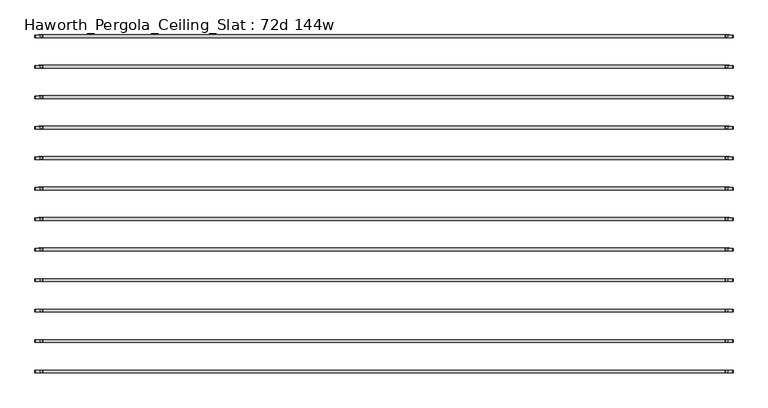
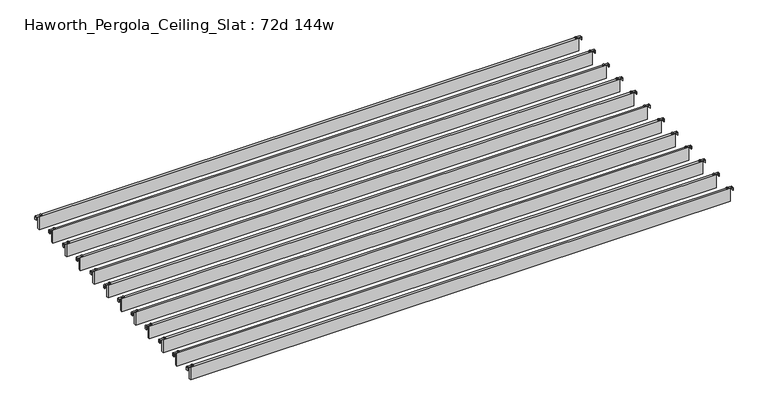
"""IFC4 building model written with IfcOpenShell, lengths in millimetres: furniture geometry, Haworth_Pergola_Ceiling_Slat : 72d 144w."""

import ifcopenshell
import ifcopenshell.guid

model = None  # the IFC model being written
_history = None  # IfcOwnerHistory: only IFC2X3 demands one
_inside = {}  # id of a spatial element -> (the spatial element, [elements in it])
_under = {}  # id of a project, library or spatial element -> (it, [spatial elements below it])
_declared = {}  # id of a project -> (the project, [libraries it declares])
_typed = {}  # id of a type object -> (the type object, [elements of that type])
_made_of = {}  # id of a material, layer set ... -> (it, [elements and type objects made of it])


def new_model(schema):
    """Start an empty IFC model of exactly this schema.

    Asked for "IFC4X3", IfcOpenShell would pick the latest addendum, in which some entities
    have other attributes; the version numbers below select the first issue.
    IFC2X3 requires an IfcOwnerHistory on every rooted entity: one is made here for all.
    """
    global model, _history
    if schema == "IFC4X3":
        model = ifcopenshell.file(schema_version=(4, 3, 0, 0))
    else:
        model = ifcopenshell.file(schema=schema)
    _inside.clear()
    _under.clear()
    _declared.clear()
    _typed.clear()
    _made_of.clear()
    _history = None
    if model.schema == "IFC2X3":
        org = make("IfcOrganization", Name="unknown")
        user = make(
            "IfcPersonAndOrganization",
            ThePerson=make("IfcPerson", FamilyName="unknown"),
            TheOrganization=org,
        )
        app = make(
            "IfcApplication",
            ApplicationDeveloper=org,
            Version="unknown",
            ApplicationFullName="unknown",
            ApplicationIdentifier="unknown",
        )
        _history = make(
            "IfcOwnerHistory",
            OwningUser=user,
            OwningApplication=app,
            ChangeAction="ADDED",
            CreationDate=0,
        )
    return model


def make(cls, **values):
    """One entity of the class cls with the attributes given. An attribute that is None is left unset."""
    return model.create_entity(
        cls, **{name: value for name, value in values.items() if value is not None}
    )


def rooted(cls, **values):
    """An entity with a GlobalId (a new one), such as an element, a storey or a relation."""
    return make(cls, GlobalId=ifcopenshell.guid.new(), OwnerHistory=_history, **values)


def si_unit(unit_type, name, prefix=None):
    """IfcSIUnit, for example si_unit("LENGTHUNIT", "METRE", prefix="MILLI")."""
    return make("IfcSIUnit", UnitType=unit_type, Prefix=prefix, Name=name)


def assignment(units):
    """IfcUnitAssignment: the units of a project."""
    return None if units is None else make("IfcUnitAssignment", Units=units)


def point(xyz):
    """IfcCartesianPoint."""
    return None if xyz is None else make("IfcCartesianPoint", Coordinates=xyz)


def direction(xyz):
    """IfcDirection."""
    return None if xyz is None else make("IfcDirection", DirectionRatios=xyz)


def frame(location, z_axis=None, x_axis=None):
    """IfcAxis2Placement3D, a coordinate frame: its origin and axes. An axis left out is left unset."""
    return make(
        "IfcAxis2Placement3D",
        Location=point(location),
        Axis=direction(z_axis),
        RefDirection=direction(x_axis),
    )


def frame_2d(location, x_axis=None):
    """IfcAxis2Placement2D, a coordinate frame in the plane: its origin and x axis."""
    return make(
        "IfcAxis2Placement2D", Location=point(location), RefDirection=direction(x_axis)
    )


def origin():
    """The frame at (0, 0, 0) with its axes left unset."""
    return frame((0.0, 0.0, 0.0))


def place(relative_to, where):
    """IfcLocalPlacement: puts the frame where relative to a parent placement (None: the world)."""
    return make(
        "IfcLocalPlacement", PlacementRelTo=relative_to, RelativePlacement=where
    )


def context(
    kind, dimensions, precision=None, world=None, true_north=None, identifier=None
):
    """IfcGeometricRepresentationContext, for example the 3D "Model" context."""
    return make(
        "IfcGeometricRepresentationContext",
        ContextIdentifier=identifier,
        ContextType=kind,
        CoordinateSpaceDimension=dimensions,
        Precision=precision,
        WorldCoordinateSystem=world,
        TrueNorth=true_north,
    )


def project(units=None, contexts=None):
    """IfcProject with its units and contexts."""
    return rooted(
        "IfcProject",
        Name="project",
        RepresentationContexts=contexts,
        UnitsInContext=assignment(units),
    )


def spatial(cls, under=None, at=None, **own):
    """A site, building, storey or space (cls), placed at a placement, below another one or the project."""
    s = rooted(cls, ObjectPlacement=at, **own)
    if under is not None:
        _under.setdefault(under.id(), (under, []))[1].append(s)
    return s


def polyline(points):
    """IfcPolyline through the points."""
    return make("IfcPolyline", Points=[point(p) for p in points])


def circle_curve(where, radius):
    """IfcCircle in the frame where."""
    return make("IfcCircle", Position=where, Radius=radius)


def trimmed(basis, trim1, trim2, sense, master):
    """IfcTrimmedCurve: the piece of a basis curve between two trims."""
    return make(
        "IfcTrimmedCurve",
        BasisCurve=basis,
        Trim1=trim1,
        Trim2=trim2,
        SenseAgreement=sense,
        MasterRepresentation=master,
    )


def segment(curve, same_sense, transition):
    """IfcCompositeCurveSegment."""
    return make(
        "IfcCompositeCurveSegment",
        Transition=transition,
        SameSense=same_sense,
        ParentCurve=curve,
    )


def composite_curve(segments, self_intersect=None):
    """IfcCompositeCurve: segments joined end to end."""
    return make("IfcCompositeCurve", Segments=segments, SelfIntersect=self_intersect)


def outline(outer, holes=None, kind="AREA"):
    """IfcArbitraryClosedProfileDef: a profile drawn as a closed curve; with holes, ...WithVoids."""
    if holes is None:
        return make("IfcArbitraryClosedProfileDef", ProfileType=kind, OuterCurve=outer)
    return make(
        "IfcArbitraryProfileDefWithVoids",
        ProfileType=kind,
        OuterCurve=outer,
        InnerCurves=holes,
    )


def extrude(swept, where, along, depth):
    """IfcExtrudedAreaSolid: the profile swept, set in the frame where, extruded along a direction by depth."""
    return make(
        "IfcExtrudedAreaSolid",
        SweptArea=swept,
        Position=where,
        ExtrudedDirection=direction(along),
        Depth=depth,
    )


def shape(context_of_items, identifier, shape_type, items):
    """IfcShapeRepresentation: the items that make up one representation, for example the "Body"."""
    return make(
        "IfcShapeRepresentation",
        ContextOfItems=context_of_items,
        RepresentationIdentifier=identifier,
        RepresentationType=shape_type,
        Items=items,
    )


def source(mapping_origin, context_of_items, identifier, shape_type, items):
    """IfcRepresentationMap: a shape defined once, which mapped items show again and again."""
    return make(
        "IfcRepresentationMap",
        MappingOrigin=mapping_origin,
        MappedRepresentation=shape(context_of_items, identifier, shape_type, items),
    )


def transform(
    local_origin,
    x_axis=None,
    y_axis=None,
    z_axis=None,
    scale=None,
    scale2=None,
    scale3=None,
    uniform=True,
):
    """IfcCartesianTransformationOperator3D, or its non-uniform kind. x_axis, y_axis, z_axis: its Axis1, 2, 3."""
    if uniform:
        return make(
            "IfcCartesianTransformationOperator3D",
            Axis1=direction(x_axis),
            Axis2=direction(y_axis),
            LocalOrigin=point(local_origin),
            Scale=scale,
            Axis3=direction(z_axis),
        )
    return make(
        "IfcCartesianTransformationOperator3DnonUniform",
        Axis1=direction(x_axis),
        Axis2=direction(y_axis),
        LocalOrigin=point(local_origin),
        Scale=scale,
        Axis3=direction(z_axis),
        Scale2=scale2,
        Scale3=scale3,
    )


def mapped(mapping_source, mapping_target):
    """IfcMappedItem: shows the shape of a source again, moved by a transform."""
    return make(
        "IfcMappedItem", MappingSource=mapping_source, MappingTarget=mapping_target
    )


def made_of(thing, what):
    """Note that an element or type object is made of a material, layer set ...; save() writes the relation."""
    if what is not None:
        _made_of.setdefault(what.id(), (what, []))[1].append(thing)
    return thing


def element(
    cls,
    number,
    at=None,
    inside=None,
    cuts=None,
    type_object=None,
    material=None,
    context=None,
    identifier="Body",
    shape_type=None,
    held_by="IfcProductDefinitionShape",
    body=None,
    shapes=None,
    **own,
):
    """One element of the class cls, such as IfcWall. Its Tag is "e" and its number.

    at: its placement. inside: the storey or other place that contains it. cuts: it is an
    opening in that element (IfcRelVoidsElement). A single representation is given by context,
    identifier, shape_type and body (its items); several are given by shapes. held_by: the class
    of the entity that holds the representations. save() writes the other relations.
    """
    e = rooted(cls, Tag="e%d" % number, ObjectPlacement=at, **own)
    if body is not None:
        shapes = [shape(context, identifier, shape_type, body)]
    if shapes is not None:
        e.Representation = make(held_by, Representations=shapes)
    if inside is not None:
        _inside.setdefault(inside.id(), (inside, []))[1].append(e)
    if cuts is not None:
        rooted(
            "IfcRelVoidsElement", RelatingBuildingElement=cuts, RelatedOpeningElement=e
        )
    if type_object is not None:
        _typed.setdefault(type_object.id(), (type_object, []))[1].append(e)
    return made_of(e, material)


def aggregate(whole, parts):
    """IfcRelAggregates: a whole, such as a stair, and the parts it consists of."""
    return rooted("IfcRelAggregates", RelatingObject=whole, RelatedObjects=parts)


def save(model, path):
    """Write the relations noted so far, then the file.

    IfcRelAggregates (storeys below a building ...), IfcRelContainedInSpatialStructure (elements
    in a storey), IfcRelDefinesByType, IfcRelAssociatesMaterial and IfcRelDeclares: one each for
    every whole, place, type object, material and project.
    """
    for whole, parts in _under.values():
        aggregate(whole, parts)
    for where, things in _inside.values():
        rooted(
            "IfcRelContainedInSpatialStructure",
            RelatedElements=things,
            RelatingStructure=where,
        )
    for kind, things in _typed.values():
        rooted("IfcRelDefinesByType", RelatedObjects=things, RelatingType=kind)
    for what, things in _made_of.values():
        rooted("IfcRelAssociatesMaterial", RelatedObjects=things, RelatingMaterial=what)
    for by, libraries in _declared.values():
        rooted("IfcRelDeclares", RelatingContext=by, RelatedDefinitions=libraries)
    model.write(path)


def haworth_pergola_ceiling_slat_72d_144w_4dc1b8d3(model_context):
    return source(origin(), model_context, "Body", "SweptSolid", [
        extrude(outline(composite_curve([segment(trimmed(circle_curve(frame_2d((1853.2, -611.3433636)), 5.9838099), [point((1847.2161901, -611.3433636))], [point((1859.1838099, -611.3433636))], False, "CARTESIAN"), True, "CONTINUOUS"), segment(trimmed(circle_curve(frame_2d((1853.2, -611.3433636)), 5.9838099), [point((1859.1838099, -611.3433636))], [point((1847.2161901, -611.3433636))], False, "CARTESIAN"), True, "CONTINUOUS")], self_intersect=False)), frame((0.0, 0.0, 2440.9329992), z_axis=(0.0, 0.0, 1.0), x_axis=(1.0, 0.0, 0.0)), (0.0, 0.0, 1.0), 3.4400008),
        extrude(outline(composite_curve([segment(trimmed(circle_curve(frame_2d((-1777.0, -611.3433636)), 5.9838099), [point((-1771.0161901, -611.3433636))], [point((-1782.9838099, -611.3433636))], False, "CARTESIAN"), True, "CONTINUOUS"), segment(trimmed(circle_curve(frame_2d((-1777.0, -611.3433636)), 5.9838099), [point((-1782.9838099, -611.3433636))], [point((-1771.0161901, -611.3433636))], False, "CARTESIAN"), True, "CONTINUOUS")], self_intersect=False)), frame((0.0, 0.0, 2440.9329992), z_axis=(0.0, 0.0, 1.0), x_axis=(1.0, 0.0, 0.0)), (0.0, 0.0, 1.0), 3.4400008),
        extrude(outline(composite_curve([segment(polyline([(2419.2231711, 1887.36), (2437.2499992, 1887.36)]), True, "CONTINUOUS"), segment(trimmed(circle_curve(frame_2d((2437.2499992, 1883.677)), 3.683), [point((2437.2499992, 1887.36))], [point((2440.9329992, 1883.677))], False, "CARTESIAN"), True, "CONTINUOUS"), segment(polyline([(2440.9329992, 1883.677), (2440.9329992, 1846.7), (2438.2729997, 1846.7), (2438.2729997, 1883.6905568)]), True, "CONTINUOUS"), segment(trimmed(circle_curve(frame_2d((2437.2635571, 1883.6905568)), 1.0094425), [point((2438.2729997, 1883.6905568))], [point((2437.2635571, 1884.6999993))], True, "CARTESIAN"), True, "CONTINUOUS"), segment(polyline([(2437.2635571, 1884.6999993), (2419.2231711, 1884.6999993), (2419.2231711, 1887.36)]), True, "CONTINUOUS")], self_intersect=False)), frame((0.0, -617.836364, 0.0), z_axis=(0.0, 1.0, 0.0), x_axis=(0.0, 0.0, 1.0)), (0.0, 0.0, 1.0), 13.0),
        extrude(outline(composite_curve([segment(polyline([(2419.2231711, -1811.16), (2419.2231711, -1808.4999993), (2437.2635571, -1808.4999993)]), True, "CONTINUOUS"), segment(trimmed(circle_curve(frame_2d((2437.2635571, -1807.4905568)), 1.0094425), [point((2437.2635571, -1808.4999993))], [point((2438.2729997, -1807.4905568))], True, "CARTESIAN"), True, "CONTINUOUS"), segment(polyline([(2438.2729997, -1807.4905568), (2438.2729997, -1770.5), (2440.9329992, -1770.5), (2440.9329992, -1807.477)]), True, "CONTINUOUS"), segment(trimmed(circle_curve(frame_2d((2437.2499992, -1807.477)), 3.683), [point((2440.9329992, -1807.477))], [point((2437.2499992, -1811.16))], False, "CARTESIAN"), True, "CONTINUOUS"), segment(polyline([(2437.2499992, -1811.16), (2419.2231711, -1811.16)]), True, "CONTINUOUS")], self_intersect=False)), frame((0.0, -617.836364, 0.0), z_axis=(0.0, 1.0, 0.0), x_axis=(0.0, 0.0, 1.0)), (0.0, 0.0, 1.0), 13.0),
        extrude(outline(polyline([(-1790.7, -618.8363636), (-1790.7, -603.8503636), (1866.9, -603.8503636), (1866.9, -618.8363636), (-1790.7, -618.8363636)])), frame((0.0, 0.0, 2346.198), z_axis=(0.0, 0.0, 1.0), x_axis=(1.0, 0.0, 0.0)), (0.0, 0.0, 1.0), 92.202),
        extrude(outline(composite_curve([segment(trimmed(circle_curve(frame_2d((1853.2, -772.9797273)), 5.9838099), [point((1847.2161901, -772.9797273))], [point((1859.1838099, -772.9797273))], False, "CARTESIAN"), True, "CONTINUOUS"), segment(trimmed(circle_curve(frame_2d((1853.2, -772.9797273)), 5.9838099), [point((1859.1838099, -772.9797273))], [point((1847.2161901, -772.9797273))], False, "CARTESIAN"), True, "CONTINUOUS")], self_intersect=False)), frame((0.0, 0.0, 2440.9329992), z_axis=(0.0, 0.0, 1.0), x_axis=(1.0, 0.0, 0.0)), (0.0, 0.0, 1.0), 3.4400008),
        extrude(outline(composite_curve([segment(trimmed(circle_curve(frame_2d((-1777.0, -772.9797273)), 5.9838099), [point((-1771.0161901, -772.9797273))], [point((-1782.9838099, -772.9797273))], False, "CARTESIAN"), True, "CONTINUOUS"), segment(trimmed(circle_curve(frame_2d((-1777.0, -772.9797273)), 5.9838099), [point((-1782.9838099, -772.9797273))], [point((-1771.0161901, -772.9797273))], False, "CARTESIAN"), True, "CONTINUOUS")], self_intersect=False)), frame((0.0, 0.0, 2440.9329992), z_axis=(0.0, 0.0, 1.0), x_axis=(1.0, 0.0, 0.0)), (0.0, 0.0, 1.0), 3.4400008),
        extrude(outline(composite_curve([segment(polyline([(2419.2231711, 1887.36), (2437.2499992, 1887.36)]), True, "CONTINUOUS"), segment(trimmed(circle_curve(frame_2d((2437.2499992, 1883.677)), 3.683), [point((2437.2499992, 1887.36))], [point((2440.9329992, 1883.677))], False, "CARTESIAN"), True, "CONTINUOUS"), segment(polyline([(2440.9329992, 1883.677), (2440.9329992, 1846.7), (2438.2729997, 1846.7), (2438.2729997, 1883.6905568)]), True, "CONTINUOUS"), segment(trimmed(circle_curve(frame_2d((2437.2635571, 1883.6905568)), 1.0094425), [point((2438.2729997, 1883.6905568))], [point((2437.2635571, 1884.6999993))], True, "CARTESIAN"), True, "CONTINUOUS"), segment(polyline([(2437.2635571, 1884.6999993), (2419.2231711, 1884.6999993), (2419.2231711, 1887.36)]), True, "CONTINUOUS")], self_intersect=False)), frame((0.0, -779.4727276, 0.0), z_axis=(0.0, 1.0, 0.0), x_axis=(0.0, 0.0, 1.0)), (0.0, 0.0, 1.0), 13.0),
        extrude(outline(composite_curve([segment(polyline([(2419.2231711, -1811.16), (2419.2231711, -1808.4999993), (2437.2635571, -1808.4999993)]), True, "CONTINUOUS"), segment(trimmed(circle_curve(frame_2d((2437.2635571, -1807.4905568)), 1.0094425), [point((2437.2635571, -1808.4999993))], [point((2438.2729997, -1807.4905568))], True, "CARTESIAN"), True, "CONTINUOUS"), segment(polyline([(2438.2729997, -1807.4905568), (2438.2729997, -1770.5), (2440.9329992, -1770.5), (2440.9329992, -1807.477)]), True, "CONTINUOUS"), segment(trimmed(circle_curve(frame_2d((2437.2499992, -1807.477)), 3.683), [point((2440.9329992, -1807.477))], [point((2437.2499992, -1811.16))], False, "CARTESIAN"), True, "CONTINUOUS"), segment(polyline([(2437.2499992, -1811.16), (2419.2231711, -1811.16)]), True, "CONTINUOUS")], self_intersect=False)), frame((0.0, -779.4727276, 0.0), z_axis=(0.0, 1.0, 0.0), x_axis=(0.0, 0.0, 1.0)), (0.0, 0.0, 1.0), 13.0),
        extrude(outline(polyline([(-1790.7, -780.4727273), (-1790.7, -765.4867273), (1866.9, -765.4867273), (1866.9, -780.4727273), (-1790.7, -780.4727273)])), frame((0.0, 0.0, 2346.198), z_axis=(0.0, 0.0, 1.0), x_axis=(1.0, 0.0, 0.0)), (0.0, 0.0, 1.0), 92.202),
        extrude(outline(composite_curve([segment(trimmed(circle_curve(frame_2d((1853.2, -934.6160909)), 5.9838099), [point((1847.2161901, -934.6160909))], [point((1859.1838099, -934.6160909))], False, "CARTESIAN"), True, "CONTINUOUS"), segment(trimmed(circle_curve(frame_2d((1853.2, -934.6160909)), 5.9838099), [point((1859.1838099, -934.6160909))], [point((1847.2161901, -934.6160909))], False, "CARTESIAN"), True, "CONTINUOUS")], self_intersect=False)), frame((0.0, 0.0, 2440.9329992), z_axis=(0.0, 0.0, 1.0), x_axis=(1.0, 0.0, 0.0)), (0.0, 0.0, 1.0), 3.4400008),
        extrude(outline(composite_curve([segment(trimmed(circle_curve(frame_2d((-1777.0, -934.6160909)), 5.9838099), [point((-1771.0161901, -934.6160909))], [point((-1782.9838099, -934.6160909))], False, "CARTESIAN"), True, "CONTINUOUS"), segment(trimmed(circle_curve(frame_2d((-1777.0, -934.6160909)), 5.9838099), [point((-1782.9838099, -934.6160909))], [point((-1771.0161901, -934.6160909))], False, "CARTESIAN"), True, "CONTINUOUS")], self_intersect=False)), frame((0.0, 0.0, 2440.9329992), z_axis=(0.0, 0.0, 1.0), x_axis=(1.0, 0.0, 0.0)), (0.0, 0.0, 1.0), 3.4400008),
        extrude(outline(composite_curve([segment(polyline([(2419.2231711, 1887.36), (2437.2499992, 1887.36)]), True, "CONTINUOUS"), segment(trimmed(circle_curve(frame_2d((2437.2499992, 1883.677)), 3.683), [point((2437.2499992, 1887.36))], [point((2440.9329992, 1883.677))], False, "CARTESIAN"), True, "CONTINUOUS"), segment(polyline([(2440.9329992, 1883.677), (2440.9329992, 1846.7), (2438.2729997, 1846.7), (2438.2729997, 1883.6905568)]), True, "CONTINUOUS"), segment(trimmed(circle_curve(frame_2d((2437.2635571, 1883.6905568)), 1.0094425), [point((2438.2729997, 1883.6905568))], [point((2437.2635571, 1884.6999993))], True, "CARTESIAN"), True, "CONTINUOUS"), segment(polyline([(2437.2635571, 1884.6999993), (2419.2231711, 1884.6999993), (2419.2231711, 1887.36)]), True, "CONTINUOUS")], self_intersect=False)), frame((0.0, -941.1090912, 0.0), z_axis=(0.0, 1.0, 0.0), x_axis=(0.0, 0.0, 1.0)), (0.0, 0.0, 1.0), 13.0),
        extrude(outline(composite_curve([segment(polyline([(2419.2231711, -1811.16), (2419.2231711, -1808.4999993), (2437.2635571, -1808.4999993)]), True, "CONTINUOUS"), segment(trimmed(circle_curve(frame_2d((2437.2635571, -1807.4905568)), 1.0094425), [point((2437.2635571, -1808.4999993))], [point((2438.2729997, -1807.4905568))], True, "CARTESIAN"), True, "CONTINUOUS"), segment(polyline([(2438.2729997, -1807.4905568), (2438.2729997, -1770.5), (2440.9329992, -1770.5), (2440.9329992, -1807.477)]), True, "CONTINUOUS"), segment(trimmed(circle_curve(frame_2d((2437.2499992, -1807.477)), 3.683), [point((2440.9329992, -1807.477))], [point((2437.2499992, -1811.16))], False, "CARTESIAN"), True, "CONTINUOUS"), segment(polyline([(2437.2499992, -1811.16), (2419.2231711, -1811.16)]), True, "CONTINUOUS")], self_intersect=False)), frame((0.0, -941.1090912, 0.0), z_axis=(0.0, 1.0, 0.0), x_axis=(0.0, 0.0, 1.0)), (0.0, 0.0, 1.0), 13.0),
        extrude(outline(polyline([(-1790.7, -942.1090909), (-1790.7, -927.1230909), (1866.9, -927.1230909), (1866.9, -942.1090909), (-1790.7, -942.1090909)])), frame((0.0, 0.0, 2346.198), z_axis=(0.0, 0.0, 1.0), x_axis=(1.0, 0.0, 0.0)), (0.0, 0.0, 1.0), 92.202),
        extrude(outline(composite_curve([segment(trimmed(circle_curve(frame_2d((1853.2, -1096.2524545)), 5.9838099), [point((1847.2161901, -1096.2524545))], [point((1859.1838099, -1096.2524545))], False, "CARTESIAN"), True, "CONTINUOUS"), segment(trimmed(circle_curve(frame_2d((1853.2, -1096.2524545)), 5.9838099), [point((1859.1838099, -1096.2524545))], [point((1847.2161901, -1096.2524545))], False, "CARTESIAN"), True, "CONTINUOUS")], self_intersect=False)), frame((0.0, 0.0, 2440.9329992), z_axis=(0.0, 0.0, 1.0), x_axis=(1.0, 0.0, 0.0)), (0.0, 0.0, 1.0), 3.4400008),
        extrude(outline(composite_curve([segment(trimmed(circle_curve(frame_2d((-1777.0, -1096.2524545)), 5.9838099), [point((-1771.0161901, -1096.2524545))], [point((-1782.9838099, -1096.2524545))], False, "CARTESIAN"), True, "CONTINUOUS"), segment(trimmed(circle_curve(frame_2d((-1777.0, -1096.2524545)), 5.9838099), [point((-1782.9838099, -1096.2524545))], [point((-1771.0161901, -1096.2524545))], False, "CARTESIAN"), True, "CONTINUOUS")], self_intersect=False)), frame((0.0, 0.0, 2440.9329992), z_axis=(0.0, 0.0, 1.0), x_axis=(1.0, 0.0, 0.0)), (0.0, 0.0, 1.0), 3.4400008),
        extrude(outline(composite_curve([segment(polyline([(2419.2231711, 1887.36), (2437.2499992, 1887.36)]), True, "CONTINUOUS"), segment(trimmed(circle_curve(frame_2d((2437.2499992, 1883.677)), 3.683), [point((2437.2499992, 1887.36))], [point((2440.9329992, 1883.677))], False, "CARTESIAN"), True, "CONTINUOUS"), segment(polyline([(2440.9329992, 1883.677), (2440.9329992, 1846.7), (2438.2729997, 1846.7), (2438.2729997, 1883.6905568)]), True, "CONTINUOUS"), segment(trimmed(circle_curve(frame_2d((2437.2635571, 1883.6905568)), 1.0094425), [point((2438.2729997, 1883.6905568))], [point((2437.2635571, 1884.6999993))], True, "CARTESIAN"), True, "CONTINUOUS"), segment(polyline([(2437.2635571, 1884.6999993), (2419.2231711, 1884.6999993), (2419.2231711, 1887.36)]), True, "CONTINUOUS")], self_intersect=False)), frame((0.0, -1102.7454549, 0.0), z_axis=(0.0, 1.0, 0.0), x_axis=(0.0, 0.0, 1.0)), (0.0, 0.0, 1.0), 13.0),
        extrude(outline(composite_curve([segment(polyline([(2419.2231711, -1811.16), (2419.2231711, -1808.4999993), (2437.2635571, -1808.4999993)]), True, "CONTINUOUS"), segment(trimmed(circle_curve(frame_2d((2437.2635571, -1807.4905568)), 1.0094425), [point((2437.2635571, -1808.4999993))], [point((2438.2729997, -1807.4905568))], True, "CARTESIAN"), True, "CONTINUOUS"), segment(polyline([(2438.2729997, -1807.4905568), (2438.2729997, -1770.5), (2440.9329992, -1770.5), (2440.9329992, -1807.477)]), True, "CONTINUOUS"), segment(trimmed(circle_curve(frame_2d((2437.2499992, -1807.477)), 3.683), [point((2440.9329992, -1807.477))], [point((2437.2499992, -1811.16))], False, "CARTESIAN"), True, "CONTINUOUS"), segment(polyline([(2437.2499992, -1811.16), (2419.2231711, -1811.16)]), True, "CONTINUOUS")], self_intersect=False)), frame((0.0, -1102.7454549, 0.0), z_axis=(0.0, 1.0, 0.0), x_axis=(0.0, 0.0, 1.0)), (0.0, 0.0, 1.0), 13.0),
        extrude(outline(polyline([(-1790.7, -1103.7454545), (-1790.7, -1088.7594545), (1866.9, -1088.7594545), (1866.9, -1103.7454545), (-1790.7, -1103.7454545)])), frame((0.0, 0.0, 2346.198), z_axis=(0.0, 0.0, 1.0), x_axis=(1.0, 0.0, 0.0)), (0.0, 0.0, 1.0), 92.202),
        extrude(outline(composite_curve([segment(trimmed(circle_curve(frame_2d((1853.2, -1257.8888182)), 5.9838099), [point((1847.2161901, -1257.8888182))], [point((1859.1838099, -1257.8888182))], False, "CARTESIAN"), True, "CONTINUOUS"), segment(trimmed(circle_curve(frame_2d((1853.2, -1257.8888182)), 5.9838099), [point((1859.1838099, -1257.8888182))], [point((1847.2161901, -1257.8888182))], False, "CARTESIAN"), True, "CONTINUOUS")], self_intersect=False)), frame((0.0, 0.0, 2440.9329992), z_axis=(0.0, 0.0, 1.0), x_axis=(1.0, 0.0, 0.0)), (0.0, 0.0, 1.0), 3.4400008),
        extrude(outline(composite_curve([segment(trimmed(circle_curve(frame_2d((-1777.0, -1257.8888182)), 5.9838099), [point((-1771.0161901, -1257.8888182))], [point((-1782.9838099, -1257.8888182))], False, "CARTESIAN"), True, "CONTINUOUS"), segment(trimmed(circle_curve(frame_2d((-1777.0, -1257.8888182)), 5.9838099), [point((-1782.9838099, -1257.8888182))], [point((-1771.0161901, -1257.8888182))], False, "CARTESIAN"), True, "CONTINUOUS")], self_intersect=False)), frame((0.0, 0.0, 2440.9329992), z_axis=(0.0, 0.0, 1.0), x_axis=(1.0, 0.0, 0.0)), (0.0, 0.0, 1.0), 3.4400008),
        extrude(outline(composite_curve([segment(polyline([(2419.2231711, 1887.36), (2437.2499992, 1887.36)]), True, "CONTINUOUS"), segment(trimmed(circle_curve(frame_2d((2437.2499992, 1883.677)), 3.683), [point((2437.2499992, 1887.36))], [point((2440.9329992, 1883.677))], False, "CARTESIAN"), True, "CONTINUOUS"), segment(polyline([(2440.9329992, 1883.677), (2440.9329992, 1846.7), (2438.2729997, 1846.7), (2438.2729997, 1883.6905568)]), True, "CONTINUOUS"), segment(trimmed(circle_curve(frame_2d((2437.2635571, 1883.6905568)), 1.0094425), [point((2438.2729997, 1883.6905568))], [point((2437.2635571, 1884.6999993))], True, "CARTESIAN"), True, "CONTINUOUS"), segment(polyline([(2437.2635571, 1884.6999993), (2419.2231711, 1884.6999993), (2419.2231711, 1887.36)]), True, "CONTINUOUS")], self_intersect=False)), frame((0.0, -1264.3818185, 0.0), z_axis=(0.0, 1.0, 0.0), x_axis=(0.0, 0.0, 1.0)), (0.0, 0.0, 1.0), 13.0),
        extrude(outline(composite_curve([segment(polyline([(2419.2231711, -1811.16), (2419.2231711, -1808.4999993), (2437.2635571, -1808.4999993)]), True, "CONTINUOUS"), segment(trimmed(circle_curve(frame_2d((2437.2635571, -1807.4905568)), 1.0094425), [point((2437.2635571, -1808.4999993))], [point((2438.2729997, -1807.4905568))], True, "CARTESIAN"), True, "CONTINUOUS"), segment(polyline([(2438.2729997, -1807.4905568), (2438.2729997, -1770.5), (2440.9329992, -1770.5), (2440.9329992, -1807.477)]), True, "CONTINUOUS"), segment(trimmed(circle_curve(frame_2d((2437.2499992, -1807.477)), 3.683), [point((2440.9329992, -1807.477))], [point((2437.2499992, -1811.16))], False, "CARTESIAN"), True, "CONTINUOUS"), segment(polyline([(2437.2499992, -1811.16), (2419.2231711, -1811.16)]), True, "CONTINUOUS")], self_intersect=False)), frame((0.0, -1264.3818185, 0.0), z_axis=(0.0, 1.0, 0.0), x_axis=(0.0, 0.0, 1.0)), (0.0, 0.0, 1.0), 13.0),
        extrude(outline(polyline([(-1790.7, -1265.3818182), (-1790.7, -1250.3958182), (1866.9, -1250.3958182), (1866.9, -1265.3818182), (-1790.7, -1265.3818182)])), frame((0.0, 0.0, 2346.198), z_axis=(0.0, 0.0, 1.0), x_axis=(1.0, 0.0, 0.0)), (0.0, 0.0, 1.0), 92.202),
        extrude(outline(composite_curve([segment(trimmed(circle_curve(frame_2d((1853.2, -1419.5251818)), 5.9838099), [point((1847.2161901, -1419.5251818))], [point((1859.1838099, -1419.5251818))], False, "CARTESIAN"), True, "CONTINUOUS"), segment(trimmed(circle_curve(frame_2d((1853.2, -1419.5251818)), 5.9838099), [point((1859.1838099, -1419.5251818))], [point((1847.2161901, -1419.5251818))], False, "CARTESIAN"), True, "CONTINUOUS")], self_intersect=False)), frame((0.0, 0.0, 2440.9329992), z_axis=(0.0, 0.0, 1.0), x_axis=(1.0, 0.0, 0.0)), (0.0, 0.0, 1.0), 3.4400008),
        extrude(outline(composite_curve([segment(trimmed(circle_curve(frame_2d((-1777.0, -1419.5251818)), 5.9838099), [point((-1771.0161901, -1419.5251818))], [point((-1782.9838099, -1419.5251818))], False, "CARTESIAN"), True, "CONTINUOUS"), segment(trimmed(circle_curve(frame_2d((-1777.0, -1419.5251818)), 5.9838099), [point((-1782.9838099, -1419.5251818))], [point((-1771.0161901, -1419.5251818))], False, "CARTESIAN"), True, "CONTINUOUS")], self_intersect=False)), frame((0.0, 0.0, 2440.9329992), z_axis=(0.0, 0.0, 1.0), x_axis=(1.0, 0.0, 0.0)), (0.0, 0.0, 1.0), 3.4400008),
        extrude(outline(composite_curve([segment(polyline([(2419.2231711, 1887.36), (2437.2499992, 1887.36)]), True, "CONTINUOUS"), segment(trimmed(circle_curve(frame_2d((2437.2499992, 1883.677)), 3.683), [point((2437.2499992, 1887.36))], [point((2440.9329992, 1883.677))], False, "CARTESIAN"), True, "CONTINUOUS"), segment(polyline([(2440.9329992, 1883.677), (2440.9329992, 1846.7), (2438.2729997, 1846.7), (2438.2729997, 1883.6905568)]), True, "CONTINUOUS"), segment(trimmed(circle_curve(frame_2d((2437.2635571, 1883.6905568)), 1.0094425), [point((2438.2729997, 1883.6905568))], [point((2437.2635571, 1884.6999993))], True, "CARTESIAN"), True, "CONTINUOUS"), segment(polyline([(2437.2635571, 1884.6999993), (2419.2231711, 1884.6999993), (2419.2231711, 1887.36)]), True, "CONTINUOUS")], self_intersect=False)), frame((0.0, -1426.0181822, 0.0), z_axis=(0.0, 1.0, 0.0), x_axis=(0.0, 0.0, 1.0)), (0.0, 0.0, 1.0), 13.0),
        extrude(outline(composite_curve([segment(polyline([(2419.2231711, -1811.16), (2419.2231711, -1808.4999993), (2437.2635571, -1808.4999993)]), True, "CONTINUOUS"), segment(trimmed(circle_curve(frame_2d((2437.2635571, -1807.4905568)), 1.0094425), [point((2437.2635571, -1808.4999993))], [point((2438.2729997, -1807.4905568))], True, "CARTESIAN"), True, "CONTINUOUS"), segment(polyline([(2438.2729997, -1807.4905568), (2438.2729997, -1770.5), (2440.9329992, -1770.5), (2440.9329992, -1807.477)]), True, "CONTINUOUS"), segment(trimmed(circle_curve(frame_2d((2437.2499992, -1807.477)), 3.683), [point((2440.9329992, -1807.477))], [point((2437.2499992, -1811.16))], False, "CARTESIAN"), True, "CONTINUOUS"), segment(polyline([(2437.2499992, -1811.16), (2419.2231711, -1811.16)]), True, "CONTINUOUS")], self_intersect=False)), frame((0.0, -1426.0181822, 0.0), z_axis=(0.0, 1.0, 0.0), x_axis=(0.0, 0.0, 1.0)), (0.0, 0.0, 1.0), 13.0),
        extrude(outline(polyline([(-1790.7, -1427.0181818), (-1790.7, -1412.0321818), (1866.9, -1412.0321818), (1866.9, -1427.0181818), (-1790.7, -1427.0181818)])), frame((0.0, 0.0, 2346.198), z_axis=(0.0, 0.0, 1.0), x_axis=(1.0, 0.0, 0.0)), (0.0, 0.0, 1.0), 92.202),
        extrude(outline(composite_curve([segment(trimmed(circle_curve(frame_2d((1853.2, -1581.1615455)), 5.9838099), [point((1847.2161901, -1581.1615455))], [point((1859.1838099, -1581.1615455))], False, "CARTESIAN"), True, "CONTINUOUS"), segment(trimmed(circle_curve(frame_2d((1853.2, -1581.1615455)), 5.9838099), [point((1859.1838099, -1581.1615455))], [point((1847.2161901, -1581.1615455))], False, "CARTESIAN"), True, "CONTINUOUS")], self_intersect=False)), frame((0.0, 0.0, 2440.9329992), z_axis=(0.0, 0.0, 1.0), x_axis=(1.0, 0.0, 0.0)), (0.0, 0.0, 1.0), 3.4400008),
        extrude(outline(composite_curve([segment(trimmed(circle_curve(frame_2d((-1777.0, -1581.1615455)), 5.9838099), [point((-1771.0161901, -1581.1615455))], [point((-1782.9838099, -1581.1615455))], False, "CARTESIAN"), True, "CONTINUOUS"), segment(trimmed(circle_curve(frame_2d((-1777.0, -1581.1615455)), 5.9838099), [point((-1782.9838099, -1581.1615455))], [point((-1771.0161901, -1581.1615455))], False, "CARTESIAN"), True, "CONTINUOUS")], self_intersect=False)), frame((0.0, 0.0, 2440.9329992), z_axis=(0.0, 0.0, 1.0), x_axis=(1.0, 0.0, 0.0)), (0.0, 0.0, 1.0), 3.4400008),
        extrude(outline(composite_curve([segment(polyline([(2419.2231711, 1887.36), (2437.2499992, 1887.36)]), True, "CONTINUOUS"), segment(trimmed(circle_curve(frame_2d((2437.2499992, 1883.677)), 3.683), [point((2437.2499992, 1887.36))], [point((2440.9329992, 1883.677))], False, "CARTESIAN"), True, "CONTINUOUS"), segment(polyline([(2440.9329992, 1883.677), (2440.9329992, 1846.7), (2438.2729997, 1846.7), (2438.2729997, 1883.6905568)]), True, "CONTINUOUS"), segment(trimmed(circle_curve(frame_2d((2437.2635571, 1883.6905568)), 1.0094425), [point((2438.2729997, 1883.6905568))], [point((2437.2635571, 1884.6999993))], True, "CARTESIAN"), True, "CONTINUOUS"), segment(polyline([(2437.2635571, 1884.6999993), (2419.2231711, 1884.6999993), (2419.2231711, 1887.36)]), True, "CONTINUOUS")], self_intersect=False)), frame((0.0, -1587.6545458, 0.0), z_axis=(0.0, 1.0, 0.0), x_axis=(0.0, 0.0, 1.0)), (0.0, 0.0, 1.0), 13.0),
        extrude(outline(composite_curve([segment(polyline([(2419.2231711, -1811.16), (2419.2231711, -1808.4999993), (2437.2635571, -1808.4999993)]), True, "CONTINUOUS"), segment(trimmed(circle_curve(frame_2d((2437.2635571, -1807.4905568)), 1.0094425), [point((2437.2635571, -1808.4999993))], [point((2438.2729997, -1807.4905568))], True, "CARTESIAN"), True, "CONTINUOUS"), segment(polyline([(2438.2729997, -1807.4905568), (2438.2729997, -1770.5), (2440.9329992, -1770.5), (2440.9329992, -1807.477)]), True, "CONTINUOUS"), segment(trimmed(circle_curve(frame_2d((2437.2499992, -1807.477)), 3.683), [point((2440.9329992, -1807.477))], [point((2437.2499992, -1811.16))], False, "CARTESIAN"), True, "CONTINUOUS"), segment(polyline([(2437.2499992, -1811.16), (2419.2231711, -1811.16)]), True, "CONTINUOUS")], self_intersect=False)), frame((0.0, -1587.6545458, 0.0), z_axis=(0.0, 1.0, 0.0), x_axis=(0.0, 0.0, 1.0)), (0.0, 0.0, 1.0), 13.0),
        extrude(outline(polyline([(-1790.7, -1588.6545455), (-1790.7, -1573.6685455), (1866.9, -1573.6685455), (1866.9, -1588.6545455), (-1790.7, -1588.6545455)])), frame((0.0, 0.0, 2346.198), z_axis=(0.0, 0.0, 1.0), x_axis=(1.0, 0.0, 0.0)), (0.0, 0.0, 1.0), 92.202),
        extrude(outline(composite_curve([segment(trimmed(circle_curve(frame_2d((1853.2, -1742.7979091)), 5.9838099), [point((1847.2161901, -1742.7979091))], [point((1859.1838099, -1742.7979091))], False, "CARTESIAN"), True, "CONTINUOUS"), segment(trimmed(circle_curve(frame_2d((1853.2, -1742.7979091)), 5.9838099), [point((1859.1838099, -1742.7979091))], [point((1847.2161901, -1742.7979091))], False, "CARTESIAN"), True, "CONTINUOUS")], self_intersect=False)), frame((0.0, 0.0, 2440.9329992), z_axis=(0.0, 0.0, 1.0), x_axis=(1.0, 0.0, 0.0)), (0.0, 0.0, 1.0), 3.4400008),
        extrude(outline(composite_curve([segment(trimmed(circle_curve(frame_2d((-1777.0, -1742.7979091)), 5.9838099), [point((-1771.0161901, -1742.7979091))], [point((-1782.9838099, -1742.7979091))], False, "CARTESIAN"), True, "CONTINUOUS"), segment(trimmed(circle_curve(frame_2d((-1777.0, -1742.7979091)), 5.9838099), [point((-1782.9838099, -1742.7979091))], [point((-1771.0161901, -1742.7979091))], False, "CARTESIAN"), True, "CONTINUOUS")], self_intersect=False)), frame((0.0, 0.0, 2440.9329992), z_axis=(0.0, 0.0, 1.0), x_axis=(1.0, 0.0, 0.0)), (0.0, 0.0, 1.0), 3.4400008),
        extrude(outline(composite_curve([segment(polyline([(2419.2231711, 1887.36), (2437.2499992, 1887.36)]), True, "CONTINUOUS"), segment(trimmed(circle_curve(frame_2d((2437.2499992, 1883.677)), 3.683), [point((2437.2499992, 1887.36))], [point((2440.9329992, 1883.677))], False, "CARTESIAN"), True, "CONTINUOUS"), segment(polyline([(2440.9329992, 1883.677), (2440.9329992, 1846.7), (2438.2729997, 1846.7), (2438.2729997, 1883.6905568)]), True, "CONTINUOUS"), segment(trimmed(circle_curve(frame_2d((2437.2635571, 1883.6905568)), 1.0094425), [point((2438.2729997, 1883.6905568))], [point((2437.2635571, 1884.6999993))], True, "CARTESIAN"), True, "CONTINUOUS"), segment(polyline([(2437.2635571, 1884.6999993), (2419.2231711, 1884.6999993), (2419.2231711, 1887.36)]), True, "CONTINUOUS")], self_intersect=False)), frame((0.0, -1749.2909094, 0.0), z_axis=(0.0, 1.0, 0.0), x_axis=(0.0, 0.0, 1.0)), (0.0, 0.0, 1.0), 13.0),
        extrude(outline(composite_curve([segment(polyline([(2419.2231711, -1811.16), (2419.2231711, -1808.4999993), (2437.2635571, -1808.4999993)]), True, "CONTINUOUS"), segment(trimmed(circle_curve(frame_2d((2437.2635571, -1807.4905568)), 1.0094425), [point((2437.2635571, -1808.4999993))], [point((2438.2729997, -1807.4905568))], True, "CARTESIAN"), True, "CONTINUOUS"), segment(polyline([(2438.2729997, -1807.4905568), (2438.2729997, -1770.5), (2440.9329992, -1770.5), (2440.9329992, -1807.477)]), True, "CONTINUOUS"), segment(trimmed(circle_curve(frame_2d((2437.2499992, -1807.477)), 3.683), [point((2440.9329992, -1807.477))], [point((2437.2499992, -1811.16))], False, "CARTESIAN"), True, "CONTINUOUS"), segment(polyline([(2437.2499992, -1811.16), (2419.2231711, -1811.16)]), True, "CONTINUOUS")], self_intersect=False)), frame((0.0, -1749.2909094, 0.0), z_axis=(0.0, 1.0, 0.0), x_axis=(0.0, 0.0, 1.0)), (0.0, 0.0, 1.0), 13.0),
        extrude(outline(polyline([(-1790.7, -1750.2909091), (-1790.7, -1735.3049091), (1866.9, -1735.3049091), (1866.9, -1750.2909091), (-1790.7, -1750.2909091)])), frame((0.0, 0.0, 2346.198), z_axis=(0.0, 0.0, 1.0), x_axis=(1.0, 0.0, 0.0)), (0.0, 0.0, 1.0), 92.202),
        extrude(outline(composite_curve([segment(trimmed(circle_curve(frame_2d((1853.2, -1904.4342727)), 5.9838099), [point((1847.2161901, -1904.4342727))], [point((1859.1838099, -1904.4342727))], False, "CARTESIAN"), True, "CONTINUOUS"), segment(trimmed(circle_curve(frame_2d((1853.2, -1904.4342727)), 5.9838099), [point((1859.1838099, -1904.4342727))], [point((1847.2161901, -1904.4342727))], False, "CARTESIAN"), True, "CONTINUOUS")], self_intersect=False)), frame((0.0, 0.0, 2440.9329992), z_axis=(0.0, 0.0, 1.0), x_axis=(1.0, 0.0, 0.0)), (0.0, 0.0, 1.0), 3.4400008),
        extrude(outline(composite_curve([segment(trimmed(circle_curve(frame_2d((-1777.0, -1904.4342727)), 5.9838099), [point((-1771.0161901, -1904.4342727))], [point((-1782.9838099, -1904.4342727))], False, "CARTESIAN"), True, "CONTINUOUS"), segment(trimmed(circle_curve(frame_2d((-1777.0, -1904.4342727)), 5.9838099), [point((-1782.9838099, -1904.4342727))], [point((-1771.0161901, -1904.4342727))], False, "CARTESIAN"), True, "CONTINUOUS")], self_intersect=False)), frame((0.0, 0.0, 2440.9329992), z_axis=(0.0, 0.0, 1.0), x_axis=(1.0, 0.0, 0.0)), (0.0, 0.0, 1.0), 3.4400008),
        extrude(outline(composite_curve([segment(polyline([(2419.2231711, 1887.36), (2437.2499992, 1887.36)]), True, "CONTINUOUS"), segment(trimmed(circle_curve(frame_2d((2437.2499992, 1883.677)), 3.683), [point((2437.2499992, 1887.36))], [point((2440.9329992, 1883.677))], False, "CARTESIAN"), True, "CONTINUOUS"), segment(polyline([(2440.9329992, 1883.677), (2440.9329992, 1846.7), (2438.2729997, 1846.7), (2438.2729997, 1883.6905568)]), True, "CONTINUOUS"), segment(trimmed(circle_curve(frame_2d((2437.2635571, 1883.6905568)), 1.0094425), [point((2438.2729997, 1883.6905568))], [point((2437.2635571, 1884.6999993))], True, "CARTESIAN"), True, "CONTINUOUS"), segment(polyline([(2437.2635571, 1884.6999993), (2419.2231711, 1884.6999993), (2419.2231711, 1887.36)]), True, "CONTINUOUS")], self_intersect=False)), frame((0.0, -1910.9272731, 0.0), z_axis=(0.0, 1.0, 0.0), x_axis=(0.0, 0.0, 1.0)), (0.0, 0.0, 1.0), 13.0),
        extrude(outline(composite_curve([segment(polyline([(2419.2231711, -1811.16), (2419.2231711, -1808.4999993), (2437.2635571, -1808.4999993)]), True, "CONTINUOUS"), segment(trimmed(circle_curve(frame_2d((2437.2635571, -1807.4905568)), 1.0094425), [point((2437.2635571, -1808.4999993))], [point((2438.2729997, -1807.4905568))], True, "CARTESIAN"), True, "CONTINUOUS"), segment(polyline([(2438.2729997, -1807.4905568), (2438.2729997, -1770.5), (2440.9329992, -1770.5), (2440.9329992, -1807.477)]), True, "CONTINUOUS"), segment(trimmed(circle_curve(frame_2d((2437.2499992, -1807.477)), 3.683), [point((2440.9329992, -1807.477))], [point((2437.2499992, -1811.16))], False, "CARTESIAN"), True, "CONTINUOUS"), segment(polyline([(2437.2499992, -1811.16), (2419.2231711, -1811.16)]), True, "CONTINUOUS")], self_intersect=False)), frame((0.0, -1910.9272731, 0.0), z_axis=(0.0, 1.0, 0.0), x_axis=(0.0, 0.0, 1.0)), (0.0, 0.0, 1.0), 13.0),
        extrude(outline(polyline([(-1790.7, -1911.9272727), (-1790.7, -1896.9412727), (1866.9, -1896.9412727), (1866.9, -1911.9272727), (-1790.7, -1911.9272727)])), frame((0.0, 0.0, 2346.198), z_axis=(0.0, 0.0, 1.0), x_axis=(1.0, 0.0, 0.0)), (0.0, 0.0, 1.0), 92.202),
        extrude(outline(composite_curve([segment(trimmed(circle_curve(frame_2d((1853.2, -2066.0706364)), 5.9838099), [point((1847.2161901, -2066.0706364))], [point((1859.1838099, -2066.0706364))], False, "CARTESIAN"), True, "CONTINUOUS"), segment(trimmed(circle_curve(frame_2d((1853.2, -2066.0706364)), 5.9838099), [point((1859.1838099, -2066.0706364))], [point((1847.2161901, -2066.0706364))], False, "CARTESIAN"), True, "CONTINUOUS")], self_intersect=False)), frame((0.0, 0.0, 2440.9329992), z_axis=(0.0, 0.0, 1.0), x_axis=(1.0, 0.0, 0.0)), (0.0, 0.0, 1.0), 3.4400008),
        extrude(outline(composite_curve([segment(trimmed(circle_curve(frame_2d((-1777.0, -2066.0706364)), 5.9838099), [point((-1771.0161901, -2066.0706364))], [point((-1782.9838099, -2066.0706364))], False, "CARTESIAN"), True, "CONTINUOUS"), segment(trimmed(circle_curve(frame_2d((-1777.0, -2066.0706364)), 5.9838099), [point((-1782.9838099, -2066.0706364))], [point((-1771.0161901, -2066.0706364))], False, "CARTESIAN"), True, "CONTINUOUS")], self_intersect=False)), frame((0.0, 0.0, 2440.9329992), z_axis=(0.0, 0.0, 1.0), x_axis=(1.0, 0.0, 0.0)), (0.0, 0.0, 1.0), 3.4400008),
        extrude(outline(composite_curve([segment(polyline([(2419.2231711, 1887.36), (2437.2499992, 1887.36)]), True, "CONTINUOUS"), segment(trimmed(circle_curve(frame_2d((2437.2499992, 1883.677)), 3.683), [point((2437.2499992, 1887.36))], [point((2440.9329992, 1883.677))], False, "CARTESIAN"), True, "CONTINUOUS"), segment(polyline([(2440.9329992, 1883.677), (2440.9329992, 1846.7), (2438.2729997, 1846.7), (2438.2729997, 1883.6905568)]), True, "CONTINUOUS"), segment(trimmed(circle_curve(frame_2d((2437.2635571, 1883.6905568)), 1.0094425), [point((2438.2729997, 1883.6905568))], [point((2437.2635571, 1884.6999993))], True, "CARTESIAN"), True, "CONTINUOUS"), segment(polyline([(2437.2635571, 1884.6999993), (2419.2231711, 1884.6999993), (2419.2231711, 1887.36)]), True, "CONTINUOUS")], self_intersect=False)), frame((0.0, -2072.5636367, 0.0), z_axis=(0.0, 1.0, 0.0), x_axis=(0.0, 0.0, 1.0)), (0.0, 0.0, 1.0), 13.0),
        extrude(outline(composite_curve([segment(polyline([(2419.2231711, -1811.16), (2419.2231711, -1808.4999993), (2437.2635571, -1808.4999993)]), True, "CONTINUOUS"), segment(trimmed(circle_curve(frame_2d((2437.2635571, -1807.4905568)), 1.0094425), [point((2437.2635571, -1808.4999993))], [point((2438.2729997, -1807.4905568))], True, "CARTESIAN"), True, "CONTINUOUS"), segment(polyline([(2438.2729997, -1807.4905568), (2438.2729997, -1770.5), (2440.9329992, -1770.5), (2440.9329992, -1807.477)]), True, "CONTINUOUS"), segment(trimmed(circle_curve(frame_2d((2437.2499992, -1807.477)), 3.683), [point((2440.9329992, -1807.477))], [point((2437.2499992, -1811.16))], False, "CARTESIAN"), True, "CONTINUOUS"), segment(polyline([(2437.2499992, -1811.16), (2419.2231711, -1811.16)]), True, "CONTINUOUS")], self_intersect=False)), frame((0.0, -2072.5636367, 0.0), z_axis=(0.0, 1.0, 0.0), x_axis=(0.0, 0.0, 1.0)), (0.0, 0.0, 1.0), 13.0),
        extrude(outline(polyline([(-1790.7, -2073.5636364), (-1790.7, -2058.5776364), (1866.9, -2058.5776364), (1866.9, -2073.5636364), (-1790.7, -2073.5636364)])), frame((0.0, 0.0, 2346.198), z_axis=(0.0, 0.0, 1.0), x_axis=(1.0, 0.0, 0.0)), (0.0, 0.0, 1.0), 92.202),
        extrude(outline(composite_curve([segment(trimmed(circle_curve(frame_2d((1853.2, -449.707)), 5.9838099), [point((1847.2161901, -449.707))], [point((1859.1838099, -449.707))], False, "CARTESIAN"), True, "CONTINUOUS"), segment(trimmed(circle_curve(frame_2d((1853.2, -449.707)), 5.9838099), [point((1859.1838099, -449.707))], [point((1847.2161901, -449.707))], False, "CARTESIAN"), True, "CONTINUOUS")], self_intersect=False)), frame((0.0, 0.0, 2440.9329992), z_axis=(0.0, 0.0, 1.0), x_axis=(1.0, 0.0, 0.0)), (0.0, 0.0, 1.0), 3.4400008),
        extrude(outline(composite_curve([segment(trimmed(circle_curve(frame_2d((-1777.0, -449.707)), 5.9838099), [point((-1771.0161901, -449.707))], [point((-1782.9838099, -449.707))], False, "CARTESIAN"), True, "CONTINUOUS"), segment(trimmed(circle_curve(frame_2d((-1777.0, -449.707)), 5.9838099), [point((-1782.9838099, -449.707))], [point((-1771.0161901, -449.707))], False, "CARTESIAN"), True, "CONTINUOUS")], self_intersect=False)), frame((0.0, 0.0, 2440.9329992), z_axis=(0.0, 0.0, 1.0), x_axis=(1.0, 0.0, 0.0)), (0.0, 0.0, 1.0), 3.4400008),
        extrude(outline(composite_curve([segment(polyline([(2419.2231711, 1887.36), (2437.2499992, 1887.36)]), True, "CONTINUOUS"), segment(trimmed(circle_curve(frame_2d((2437.2499992, 1883.677)), 3.683), [point((2437.2499992, 1887.36))], [point((2440.9329992, 1883.677))], False, "CARTESIAN"), True, "CONTINUOUS"), segment(polyline([(2440.9329992, 1883.677), (2440.9329992, 1846.7), (2438.2729997, 1846.7), (2438.2729997, 1883.6905568)]), True, "CONTINUOUS"), segment(trimmed(circle_curve(frame_2d((2437.2635571, 1883.6905568)), 1.0094425), [point((2438.2729997, 1883.6905568))], [point((2437.2635571, 1884.6999993))], True, "CARTESIAN"), True, "CONTINUOUS"), segment(polyline([(2437.2635571, 1884.6999993), (2419.2231711, 1884.6999993), (2419.2231711, 1887.36)]), True, "CONTINUOUS")], self_intersect=False)), frame((0.0, -456.2000003, 0.0), z_axis=(0.0, 1.0, 0.0), x_axis=(0.0, 0.0, 1.0)), (0.0, 0.0, 1.0), 13.0),
        extrude(outline(composite_curve([segment(polyline([(2419.2231711, -1811.16), (2419.2231711, -1808.4999993), (2437.2635571, -1808.4999993)]), True, "CONTINUOUS"), segment(trimmed(circle_curve(frame_2d((2437.2635571, -1807.4905568)), 1.0094425), [point((2437.2635571, -1808.4999993))], [point((2438.2729997, -1807.4905568))], True, "CARTESIAN"), True, "CONTINUOUS"), segment(polyline([(2438.2729997, -1807.4905568), (2438.2729997, -1770.5), (2440.9329992, -1770.5), (2440.9329992, -1807.477)]), True, "CONTINUOUS"), segment(trimmed(circle_curve(frame_2d((2437.2499992, -1807.477)), 3.683), [point((2440.9329992, -1807.477))], [point((2437.2499992, -1811.16))], False, "CARTESIAN"), True, "CONTINUOUS"), segment(polyline([(2437.2499992, -1811.16), (2419.2231711, -1811.16)]), True, "CONTINUOUS")], self_intersect=False)), frame((0.0, -456.2000003, 0.0), z_axis=(0.0, 1.0, 0.0), x_axis=(0.0, 0.0, 1.0)), (0.0, 0.0, 1.0), 13.0),
        extrude(outline(polyline([(-1790.7, -457.2), (-1790.7, -442.214), (1866.9, -442.214), (1866.9, -457.2), (-1790.7, -457.2)])), frame((0.0, 0.0, 2346.198), z_axis=(0.0, 0.0, 1.0), x_axis=(1.0, 0.0, 0.0)), (0.0, 0.0, 1.0), 92.202),
        extrude(outline(composite_curve([segment(trimmed(circle_curve(frame_2d((1853.2, -2227.707)), 5.9838099), [point((1847.2161901, -2227.707))], [point((1859.1838099, -2227.707))], False, "CARTESIAN"), True, "CONTINUOUS"), segment(trimmed(circle_curve(frame_2d((1853.2, -2227.707)), 5.9838099), [point((1859.1838099, -2227.707))], [point((1847.2161901, -2227.707))], False, "CARTESIAN"), True, "CONTINUOUS")], self_intersect=False)), frame((0.0, 0.0, 2440.9329992), z_axis=(0.0, 0.0, 1.0), x_axis=(1.0, 0.0, 0.0)), (0.0, 0.0, 1.0), 3.4400008),
        extrude(outline(composite_curve([segment(trimmed(circle_curve(frame_2d((-1777.0, -2227.707)), 5.9838099), [point((-1771.0161901, -2227.707))], [point((-1782.9838099, -2227.707))], False, "CARTESIAN"), True, "CONTINUOUS"), segment(trimmed(circle_curve(frame_2d((-1777.0, -2227.707)), 5.9838099), [point((-1782.9838099, -2227.707))], [point((-1771.0161901, -2227.707))], False, "CARTESIAN"), True, "CONTINUOUS")], self_intersect=False)), frame((0.0, 0.0, 2440.9329992), z_axis=(0.0, 0.0, 1.0), x_axis=(1.0, 0.0, 0.0)), (0.0, 0.0, 1.0), 3.4400008),
        extrude(outline(composite_curve([segment(polyline([(2419.2231711, 1887.36), (2437.2499992, 1887.36)]), True, "CONTINUOUS"), segment(trimmed(circle_curve(frame_2d((2437.2499992, 1883.677)), 3.683), [point((2437.2499992, 1887.36))], [point((2440.9329992, 1883.677))], False, "CARTESIAN"), True, "CONTINUOUS"), segment(polyline([(2440.9329992, 1883.677), (2440.9329992, 1846.7), (2438.2729997, 1846.7), (2438.2729997, 1883.6905568)]), True, "CONTINUOUS"), segment(trimmed(circle_curve(frame_2d((2437.2635571, 1883.6905568)), 1.0094425), [point((2438.2729997, 1883.6905568))], [point((2437.2635571, 1884.6999993))], True, "CARTESIAN"), True, "CONTINUOUS"), segment(polyline([(2437.2635571, 1884.6999993), (2419.2231711, 1884.6999993), (2419.2231711, 1887.36)]), True, "CONTINUOUS")], self_intersect=False)), frame((0.0, -2234.2000003, 0.0), z_axis=(0.0, 1.0, 0.0), x_axis=(0.0, 0.0, 1.0)), (0.0, 0.0, 1.0), 13.0),
        extrude(outline(composite_curve([segment(polyline([(2419.2231711, -1811.16), (2419.2231711, -1808.4999993), (2437.2635571, -1808.4999993)]), True, "CONTINUOUS"), segment(trimmed(circle_curve(frame_2d((2437.2635571, -1807.4905568)), 1.0094425), [point((2437.2635571, -1808.4999993))], [point((2438.2729997, -1807.4905568))], True, "CARTESIAN"), True, "CONTINUOUS"), segment(polyline([(2438.2729997, -1807.4905568), (2438.2729997, -1770.5), (2440.9329992, -1770.5), (2440.9329992, -1807.477)]), True, "CONTINUOUS"), segment(trimmed(circle_curve(frame_2d((2437.2499992, -1807.477)), 3.683), [point((2440.9329992, -1807.477))], [point((2437.2499992, -1811.16))], False, "CARTESIAN"), True, "CONTINUOUS"), segment(polyline([(2437.2499992, -1811.16), (2419.2231711, -1811.16)]), True, "CONTINUOUS")], self_intersect=False)), frame((0.0, -2234.2000003, 0.0), z_axis=(0.0, 1.0, 0.0), x_axis=(0.0, 0.0, 1.0)), (0.0, 0.0, 1.0), 13.0),
        extrude(outline(polyline([(-1790.7, -2235.2), (-1790.7, -2220.214), (1866.9, -2220.214), (1866.9, -2235.2), (-1790.7, -2235.2)])), frame((0.0, 0.0, 2346.198), z_axis=(0.0, 0.0, 1.0), x_axis=(1.0, 0.0, 0.0)), (0.0, 0.0, 1.0), 92.202),
    ])


if __name__ == "__main__":
    model = new_model("IFC4")
    model_context = context("Model", 3, world=origin())
    ifc_project = project(units=[si_unit("LENGTHUNIT", "METRE", prefix="MILLI")], contexts=[model_context])
    site = spatial("IfcSite", under=ifc_project)
    building = spatial("IfcBuilding", under=site)
    placement = place(None, origin())
    haworth_pergola_ceiling_slat_72d_144w_shape = haworth_pergola_ceiling_slat_72d_144w_4dc1b8d3(model_context)
    element("IfcFurniture", 1, ObjectType="Haworth_Pergola_Ceiling_Slat : 72d 144w", at=placement, inside=building, context=model_context, shape_type="MappedRepresentation", body=[
        mapped(haworth_pergola_ceiling_slat_72d_144w_shape, transform((0.0, 0.0, 0.0), x_axis=(1.0, 0.0, 0.0), y_axis=(0.0, 1.0, 0.0), z_axis=(0.0, 0.0, 1.0))),
    ])
    save(model, "model.ifc")
